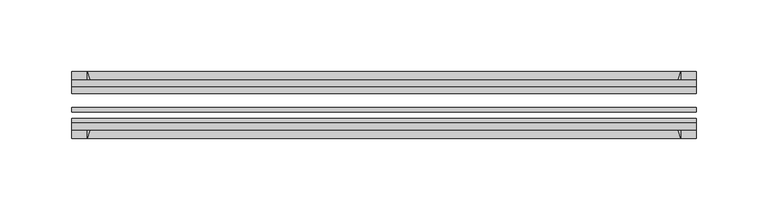
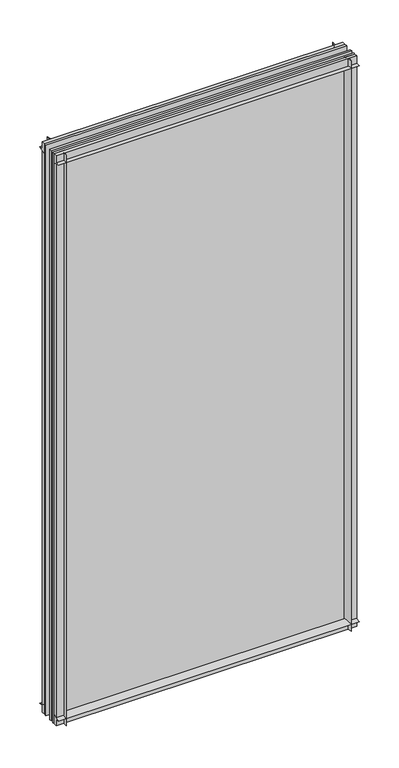
"""IFC4 building model written with IfcOpenShell, lengths in millimetres: plate geometry."""

from ifc_helpers import new_model, si_unit, point, frame, frame_2d, origin, place, context, project, spatial, polyline, circle_curve, trimmed, segment, composite_curve, outline, extrude, source, transform, mapped, element, save


def plate_a5504ef4(model_context):
    return source(origin(), model_context, "Body", "SweptSolid", [
        extrude(outline(composite_curve([segment(polyline([(-74.653775, 0.0), (-80.586498, 0.0)]), True, "CONTINUOUS"), segment(trimmed(circle_curve(frame_2d((-86.2543953, 32.273404)), 32.7673262), [point((-80.586498, 0.0))], [point((-69.878575, 3.8915405))], True, "CARTESIAN"), True, "CONTINUOUS"), segment(polyline([(-69.878575, 3.8915405), (-69.878575, -10.31875), (-74.653775, -10.31875), (-74.653775, 0.0)]), True, "CONTINUOUS")], self_intersect=False)), frame((-218.28125, 0.0, 0.0), z_axis=(1.0, 0.0, 0.0), x_axis=(0.0, 1.0, 0.0)), (0.0, 0.0, 1.0), 436.5625),
        extrude(outline(composite_curve([segment(polyline([(-44.478575, -10.31875), (-44.478575, 3.8915405)]), True, "CONTINUOUS"), segment(trimmed(circle_curve(frame_2d((-28.1027547, 32.273404)), 32.7673262), [point((-44.478575, 3.8915405))], [point((-33.770652, 0.0))], True, "CARTESIAN"), True, "CONTINUOUS"), segment(polyline([(-33.770652, 0.0), (-39.703375, 0.0), (-39.703375, -10.31875), (-44.478575, -10.31875)]), True, "CONTINUOUS")], self_intersect=False)), frame((-218.28125, 0.0, 0.0), z_axis=(1.0, 0.0, 0.0), x_axis=(0.0, 1.0, 0.0)), (0.0, 0.0, 1.0), 436.5625),
        extrude(outline(composite_curve([segment(trimmed(circle_curve(frame_2d((-86.2543953, 821.795246)), 32.7673262), [point((-69.878575, 850.1771095))], [point((-80.622775, 854.075))], True, "CARTESIAN"), True, "CONTINUOUS"), segment(polyline([(-80.622775, 854.075), (-74.653775, 854.075), (-74.653775, 865.1875), (-69.878575, 865.1875), (-69.878575, 850.1771095)]), True, "CONTINUOUS")], self_intersect=False)), frame((-218.28125, 0.0, 0.0), z_axis=(1.0, 0.0, 0.0), x_axis=(0.0, 1.0, 0.0)), (0.0, 0.0, 1.0), 436.5625),
        extrude(outline(composite_curve([segment(polyline([(-44.478575, 850.1771095), (-44.478575, 865.1875), (-39.703375, 865.1875), (-39.703375, 854.075), (-33.734375, 854.075)]), True, "CONTINUOUS"), segment(trimmed(circle_curve(frame_2d((-28.1027547, 821.795246)), 32.7673262), [point((-33.734375, 854.075))], [point((-44.478575, 850.1771095))], True, "CARTESIAN"), True, "CONTINUOUS")], self_intersect=False)), frame((-218.28125, 0.0, 0.0), z_axis=(1.0, 0.0, 0.0), x_axis=(0.0, 1.0, 0.0)), (0.0, 0.0, 1.0), 436.5625),
        extrude(outline(composite_curve([segment(polyline([(203.2708595, -69.878575), (218.28125, -69.878575), (218.28125, -74.653775), (207.16875, -74.653775), (207.16875, -80.622775)]), True, "CONTINUOUS"), segment(trimmed(circle_curve(frame_2d((174.888996, -86.2543953)), 32.7673262), [point((207.16875, -80.622775))], [point((203.2708595, -69.878575))], True, "CARTESIAN"), True, "CONTINUOUS")], self_intersect=False)), frame((0.0, 0.0, -10.31875), z_axis=(0.0, 0.0, 1.0), x_axis=(1.0, 0.0, 0.0)), (0.0, 0.0, 1.0), 875.50625),
        extrude(outline(composite_curve([segment(trimmed(circle_curve(frame_2d((174.888996, -28.1027547)), 32.7673262), [point((203.2708595, -44.478575))], [point((207.16875, -33.734375))], True, "CARTESIAN"), True, "CONTINUOUS"), segment(polyline([(207.16875, -33.734375), (207.16875, -39.703375), (218.28125, -39.703375), (218.28125, -44.478575), (203.2708595, -44.478575)]), True, "CONTINUOUS")], self_intersect=False)), frame((0.0, 0.0, -10.31875), z_axis=(0.0, 0.0, 1.0), x_axis=(1.0, 0.0, 0.0)), (0.0, 0.0, 1.0), 875.50625),
        extrude(outline(composite_curve([segment(trimmed(circle_curve(frame_2d((-174.888996, -86.2543953)), 32.7673262), [point((-203.2708595, -69.878575))], [point((-207.16875, -80.622775))], True, "CARTESIAN"), True, "CONTINUOUS"), segment(polyline([(-207.16875, -80.622775), (-207.16875, -74.653775), (-218.28125, -74.653775), (-218.28125, -69.878575), (-203.2708595, -69.878575)]), True, "CONTINUOUS")], self_intersect=False)), frame((0.0, 0.0, -10.31875), z_axis=(0.0, 0.0, 1.0), x_axis=(1.0, 0.0, 0.0)), (0.0, 0.0, 1.0), 875.50625),
        extrude(outline(composite_curve([segment(polyline([(-203.2708595, -44.478575), (-218.28125, -44.478575), (-218.28125, -39.703375), (-207.16875, -39.703375), (-207.16875, -33.734375)]), True, "CONTINUOUS"), segment(trimmed(circle_curve(frame_2d((-174.888996, -28.1027547)), 32.7673262), [point((-207.16875, -33.734375))], [point((-203.2708595, -44.478575))], True, "CARTESIAN"), True, "CONTINUOUS")], self_intersect=False)), frame((0.0, 0.0, -10.31875), z_axis=(0.0, 0.0, 1.0), x_axis=(1.0, 0.0, 0.0)), (0.0, 0.0, 1.0), 875.50625),
        extrude(outline(polyline([(-218.28125, -44.478575), (218.28125, -44.478575), (218.28125, -49.241075), (-218.28125, -49.241075), (-218.28125, -44.478575)])), frame((0.0, 0.0, -10.31875), z_axis=(0.0, 0.0, 1.0), x_axis=(1.0, 0.0, 0.0)), (0.0, 0.0, 1.0), 875.50625),
        extrude(outline(polyline([(218.28125, -58.956575), (218.28125, -62.131575), (-218.28125, -62.131575), (-218.28125, -58.956575), (218.28125, -58.956575)])), frame((0.0, 0.0, -10.31875), z_axis=(0.0, 0.0, 1.0), x_axis=(1.0, 0.0, 0.0)), (0.0, 0.0, 1.0), 875.50625),
        extrude(outline(polyline([(-218.28125, -66.703575), (218.28125, -66.703575), (218.28125, -69.878575), (-218.28125, -69.878575), (-218.28125, -66.703575)])), frame((0.0, 0.0, -10.31875), z_axis=(0.0, 0.0, 1.0), x_axis=(1.0, 0.0, 0.0)), (0.0, 0.0, 1.0), 875.50625),
    ])


if __name__ == "__main__":
    model = new_model("IFC4")
    model_context = context("Model", 3, world=origin())
    ifc_project = project(units=[si_unit("LENGTHUNIT", "METRE", prefix="MILLI")], contexts=[model_context])
    site = spatial("IfcSite", under=ifc_project)
    building = spatial("IfcBuilding", under=site)
    placement = place(None, origin())
    plate_shape = plate_a5504ef4(model_context)
    element("IfcPlate", 1, at=placement, inside=building, context=model_context, shape_type="MappedRepresentation", body=[
        mapped(plate_shape, transform((0.0, 0.0, 0.0), x_axis=(1.0, 0.0, 0.0), y_axis=(0.0, 1.0, 0.0), z_axis=(0.0, 0.0, 1.0))),
    ])
    save(model, "model.ifc")
